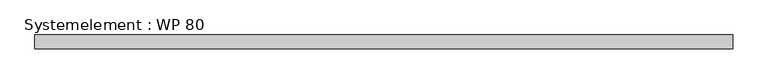
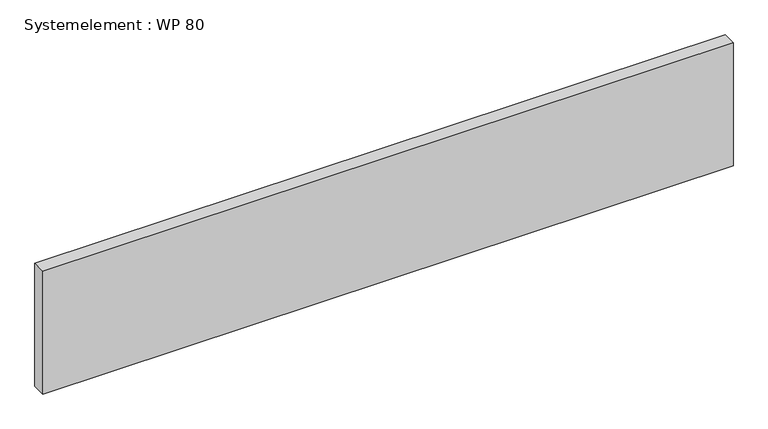
"""IFC4 building model written with IfcOpenShell, lengths in millimetres: plate geometry, Systemelement : WP 80."""

from ifc_helpers import new_model, si_unit, origin, origin_with_axes, place, context, project, spatial, polyline, outline, extrude, source, transform, mapped, element, save


def systemelement_wp_80_c02b3623(model_context):
    return source(origin(), model_context, "Body", "SweptSolid", [
        extrude(outline(polyline([(2000.0, -80.0), (-2000.0, -80.0), (-2000.0, 0.0), (2000.0, 0.0), (2000.0, -80.0)])), origin_with_axes(), (0.0, 0.0, 1.0), 751.6147161),
    ])


if __name__ == "__main__":
    model = new_model("IFC4")
    model_context = context("Model", 3, world=origin())
    ifc_project = project(units=[si_unit("LENGTHUNIT", "METRE", prefix="MILLI")], contexts=[model_context])
    site = spatial("IfcSite", under=ifc_project)
    building = spatial("IfcBuilding", under=site)
    placement = place(None, origin())
    systemelement_wp_80_shape = systemelement_wp_80_c02b3623(model_context)
    element("IfcPlate", 1, ObjectType="Systemelement : WP 80", at=placement, inside=building, context=model_context, shape_type="MappedRepresentation", body=[
        mapped(systemelement_wp_80_shape, transform((0.0, 0.0, 0.0), x_axis=(1.0, 0.0, 0.0), y_axis=(0.0, 1.0, 0.0), z_axis=(0.0, 0.0, 1.0))),
    ])
    save(model, "model.ifc")
